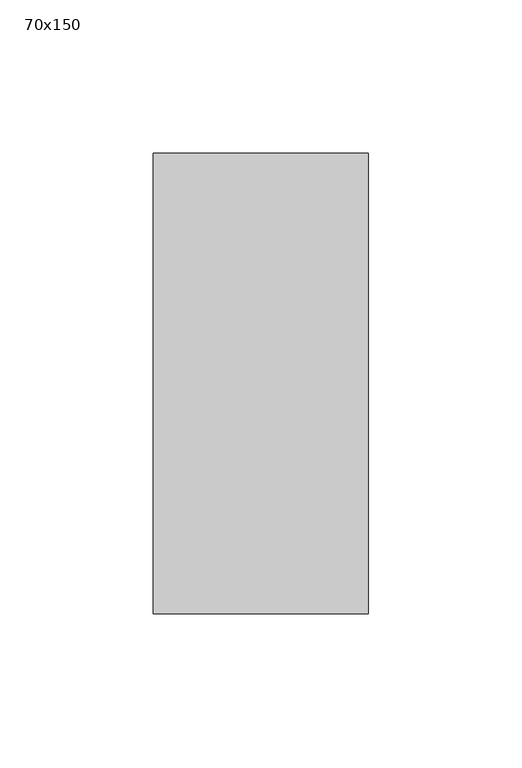
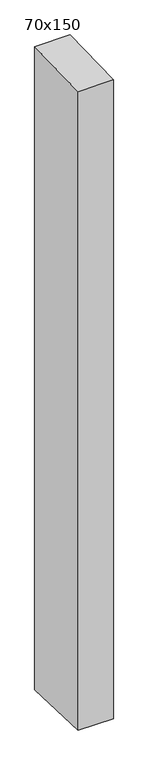
"""IFC4 building model written with IfcOpenShell, lengths in millimetres: member geometry, 70x150."""

from ifc_helpers import new_model, si_unit, frame, origin, place, context, project, spatial, polyline, outline, extrude, source, transform, mapped, element, save


def member_70x150_2006542e(model_context):
    return source(origin(), model_context, "Body", "SweptSolid", [
        extrude(outline(polyline([(-75.0, -1.9083489), (75.0, 1.9083489), (75.0, -1353.0846313), (-75.0, -1347.3203547), (-75.0, -1.9083489)])), frame((-70.0, 0.0, 0.0), z_axis=(1.0, 0.0, 0.0), x_axis=(0.0, 1.0, 0.0)), (0.0, 0.0, 1.0), 70.0),
    ])


if __name__ == "__main__":
    model = new_model("IFC4")
    model_context = context("Model", 3, world=origin())
    ifc_project = project(units=[si_unit("LENGTHUNIT", "METRE", prefix="MILLI")], contexts=[model_context])
    site = spatial("IfcSite", under=ifc_project)
    building = spatial("IfcBuilding", under=site)
    placement = place(None, origin())
    member_70x150_shape = member_70x150_2006542e(model_context)
    element("IfcMember", 1, ObjectType="70x150", at=placement, inside=building, context=model_context, shape_type="MappedRepresentation", body=[
        mapped(member_70x150_shape, transform((0.0, 0.0, 0.0), x_axis=(1.0, 0.0, 0.0), y_axis=(0.0, 1.0, 0.0), z_axis=(0.0, 0.0, 1.0))),
    ])
    save(model, "model.ifc")
